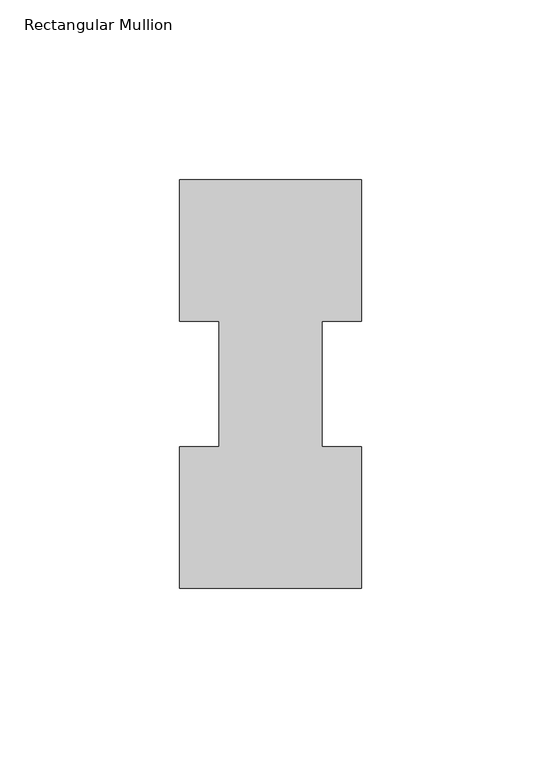
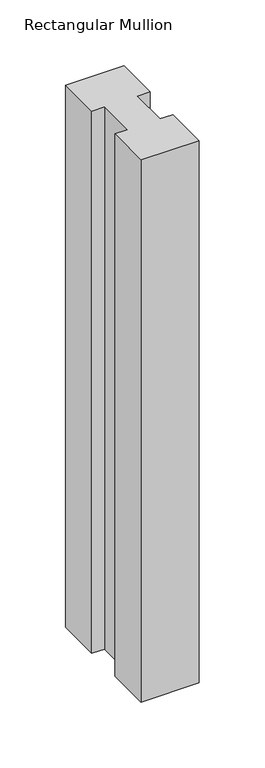
"""IFC4 building model written with IfcOpenShell, lengths in millimetres: member geometry, Rectangular Mullion."""

from ifc_helpers import new_model, si_unit, frame, origin, place, context, project, spatial, polyline, outline, extrude, source, transform, mapped, element, save


def rectangular_mullion_93c8df5a(model_context):
    return source(origin(), model_context, "Body", "SweptSolid", [
        extrude(outline(polyline([(-50.8, 114.017425), (0.0, 114.017425), (0.0, 74.596625), (-11.0998, 74.596625), (-11.0998, 39.646225), (0.0, 39.646225), (0.0, 0.225425), (-50.8, 0.225425), (-50.8, 39.646225), (-39.6875, 39.646225), (-39.6875, 74.596625), (-50.8, 74.596625), (-50.8, 114.017425)])), frame((0.0, 0.0, -501.65), z_axis=(0.0, 0.0, 1.0), x_axis=(1.0, 0.0, 0.0)), (0.0, 0.0, 1.0), 501.65),
    ])


if __name__ == "__main__":
    model = new_model("IFC4")
    model_context = context("Model", 3, world=origin())
    ifc_project = project(units=[si_unit("LENGTHUNIT", "METRE", prefix="MILLI")], contexts=[model_context])
    site = spatial("IfcSite", under=ifc_project)
    building = spatial("IfcBuilding", under=site)
    placement = place(None, origin())
    rectangular_mullion_shape = rectangular_mullion_93c8df5a(model_context)
    element("IfcMember", 1, ObjectType="Rectangular Mullion", at=placement, inside=building, context=model_context, shape_type="MappedRepresentation", body=[
        mapped(rectangular_mullion_shape, transform((0.0, 0.0, 0.0), x_axis=(1.0, 0.0, 0.0), y_axis=(0.0, 1.0, 0.0), z_axis=(0.0, 0.0, 1.0))),
    ])
    save(model, "model.ifc")
